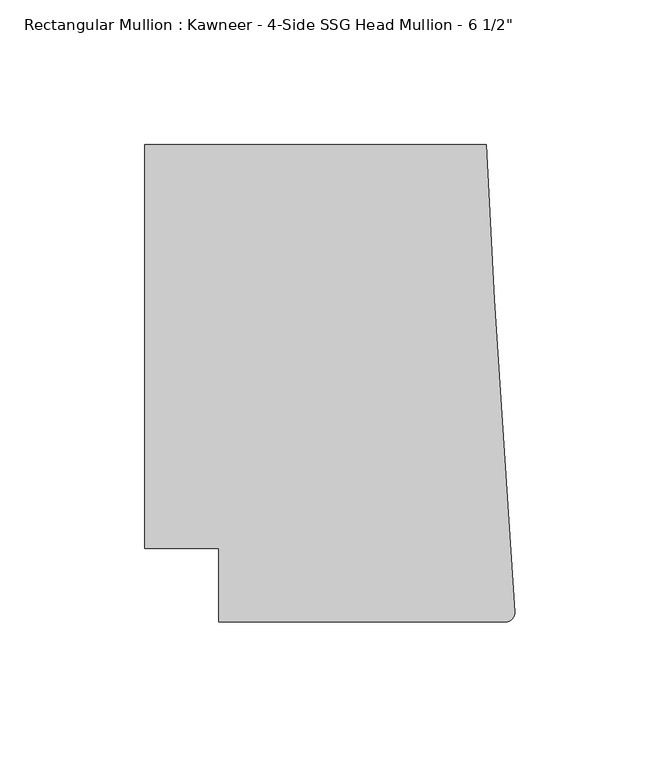
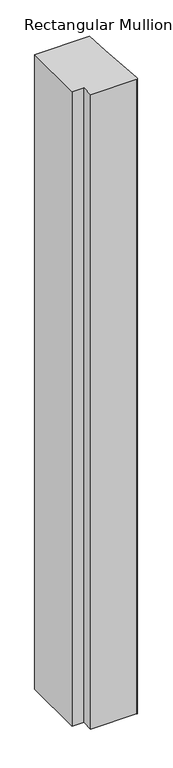
"""IFC4 building model written with IfcOpenShell, lengths in millimetres: member geometry."""

from ifc_helpers import new_model, si_unit, point, frame, frame_2d, origin, place, context, project, spatial, polyline, circle_curve, trimmed, segment, composite_curve, outline, extrude, source, transform, mapped, element, save


def member_cb26778d(model_context):
    return source(origin(), model_context, "Body", "SweptSolid", [
        extrude(outline(composite_curve([segment(polyline([(-102.08978, -12.7), (-102.08978, 12.7), (-127.4896668, 12.7), (-127.4896668, 151.892), (-9.7860662, 151.892), (-6.9873394, 98.4891117), (-0.006635, -9.3198462)]), True, "CONTINUOUS"), segment(trimmed(circle_curve(frame_2d((-3.175, -9.525)), 3.175), [point((-0.006635, -9.3198462))], [point((-3.175, -12.7))], False, "CARTESIAN"), True, "CONTINUOUS"), segment(polyline([(-3.175, -12.7), (-102.08978, -12.7)]), True, "CONTINUOUS")], self_intersect=False)), frame((0.0, 0.0, -1443.5432602), z_axis=(0.0, 0.0, 1.0), x_axis=(1.0, 0.0, 0.0)), (0.0, 0.0, 1.0), 1443.5432602),
    ])


if __name__ == "__main__":
    model = new_model("IFC4")
    model_context = context("Model", 3, world=origin())
    ifc_project = project(units=[si_unit("LENGTHUNIT", "METRE", prefix="MILLI")], contexts=[model_context])
    site = spatial("IfcSite", under=ifc_project)
    building = spatial("IfcBuilding", under=site)
    placement = place(None, origin())
    member_shape = member_cb26778d(model_context)
    element("IfcMember", 1, ObjectType="Rectangular Mullion : Kawneer - 4-Side SSG Head Mullion - 6 1/2\"", at=placement, inside=building, context=model_context, shape_type="MappedRepresentation", body=[
        mapped(member_shape, transform((0.0, 0.0, 0.0), x_axis=(1.0, 0.0, 0.0), y_axis=(0.0, 1.0, 0.0), z_axis=(0.0, 0.0, 1.0))),
    ])
    save(model, "model.ifc")
